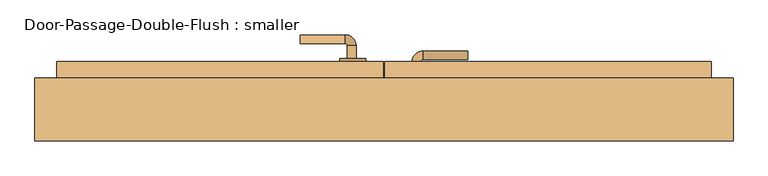
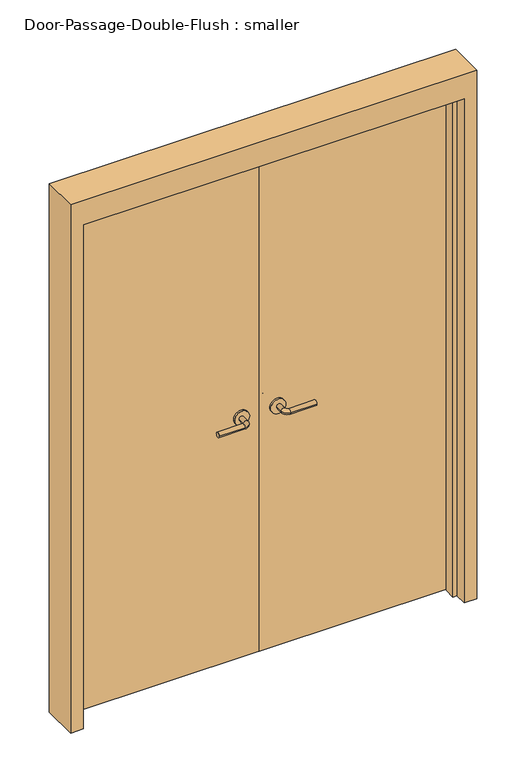
"""IFC4 building model written with IfcOpenShell, lengths in millimetres: door geometry, Door-Passage-Double-Flush : smaller."""

from ifc_helpers import new_model, si_unit, point, frame, frame_2d, origin, origin_with_axes, place, context, project, spatial, polyline, circle_curve, ellipse_curve, trimmed, segment, composite_curve, outline, extrude, faceted_brep, source, transform, mapped, element, save
from ifc_brep_helpers import plane_surface, cylinder_surface, revolved_surface, advanced_brep


def door_passage_double_flush_smaller_7772ebaa(model_context):
    return source(origin(), model_context, "Body", "SolidModel", [
        advanced_brep(
        [(-65.009375, -8.0, 1016.0), (-85.009375, -8.0, 1016.0), (-65.009375, -38.0, 1016.0), (-85.009375, -38.0, 1016.0), (-90.009375, -43.0, 1016.0), (-90.009375, -63.0, 1016.0), (-195.009375, -63.0, 1016.0), (-195.009375, -43.0, 1016.0)],
        [
            (0, 1, circle_curve(frame((-75.009375, -8.0, 1016.0), z_axis=(0.0, 1.0, 0.0), x_axis=(-1.0, 0.0, 0.0)), 10.0)),
            (1, 0, circle_curve(frame((-75.009375, -8.0, 1016.0), z_axis=(0.0, 1.0, 0.0), x_axis=(-1.0, 0.0, 0.0)), 10.0)),
            (0, 2),
            (2, 3, circle_curve(frame((-75.009375, -38.0, 1016.0), z_axis=(0.0, 1.0, 0.0), x_axis=(-1.0, 0.0, 0.0)), 10.0)),
            (3, 1),
            (3, 2, circle_curve(frame((-75.009375, -38.0, 1016.0), z_axis=(0.0, 1.0, 0.0), x_axis=(-1.0, 0.0, 0.0)), 10.0)),
            (4, 3, circle_curve(frame((-90.009375, -38.0, 1016.0), z_axis=(0.0, 0.0, 1.0), x_axis=(1.0, 0.0, 0.0)), 5.0)),
            (2, 5, circle_curve(frame((-90.009375, -38.0, 1016.0), z_axis=(0.0, 0.0, -1.0), x_axis=(1.0, 0.0, 0.0)), 25.0)),
            (5, 4, circle_curve(frame((-90.009375, -53.0, 1016.0), z_axis=(1.0, 0.0, 0.0), x_axis=(0.0, 1.0, 0.0)), 10.0)),
            (4, 5, circle_curve(frame((-90.009375, -53.0, 1016.0), z_axis=(1.0, 0.0, 0.0), x_axis=(0.0, 1.0, 0.0)), 10.0)),
            (6, 7, circle_curve(frame((-195.009375, -53.0, 1016.0), z_axis=(-1.0, 0.0, 0.0), x_axis=(0.0, 1.0, 0.0)), 10.0)),
            (7, 6, circle_curve(frame((-195.009375, -53.0, 1016.0), z_axis=(-1.0, 0.0, 0.0), x_axis=(0.0, 1.0, 0.0)), 10.0)),
            (5, 6),
            (7, 4),
        ],
        [
            plane_surface(frame((-75.009375, -8.0, 1016.0), z_axis=(0.0, 1.0, 0.0), x_axis=(0.0, 0.0, 1.0))),
            cylinder_surface(frame((-75.009375, -8.0, 1016.0), z_axis=(0.0, 1.0, 0.0), x_axis=(-1.0, 0.0, 0.0)), 10.0),
            revolved_surface(trimmed(ellipse_curve(frame((-75.009375, -38.0, 1016.0), z_axis=(0.0, 1.0, 0.0), x_axis=(-1.0, 0.0, 0.0)), 10.0, 10.0), [point((-65.009375, -38.0, 1016.0))], [point((-85.009375, -38.0, 1016.0))], True, "CARTESIAN"), (-90.009375, -38.0, 1016.0), (0.0, 0.0, -1.0)),
            revolved_surface(trimmed(ellipse_curve(frame((-75.009375, -38.0, 1016.0), z_axis=(0.0, 1.0, 0.0), x_axis=(-1.0, 0.0, 0.0)), 10.0, 10.0), [point((-85.009375, -38.0, 1016.0))], [point((-65.009375, -38.0, 1016.0))], True, "CARTESIAN"), (-90.009375, -38.0, 1016.0), (0.0, 0.0, -1.0)),
            plane_surface(frame((-195.009375, -53.0, 1016.0), z_axis=(-1.0, 0.0, 0.0), x_axis=(0.0, 0.0, 1.0))),
            cylinder_surface(frame((-90.009375, -53.0, 1016.0), z_axis=(1.0, 0.0, 0.0), x_axis=(0.0, 1.0, 0.0)), 10.0),
        ],
        [
            (0, [[1, 2]]),
            (1, [[-1, 3, 4, 5]]),
            (1, [[-2, -5, 6, -3]]),
            (2, [[7, -4, 8, 9]]),
            (3, [[-8, -6, -7, 10]]),
            (4, [[11, 12]]),
            (5, [[-9, 13, -12, 14]]),
            (5, [[-10, -14, -11, -13]]),
        ],
    ),
        extrude(outline(composite_curve([segment(trimmed(circle_curve(frame_2d((1016.0, -72.509375)), 30.0), [point((1016.0, -42.509375))], [point((1016.0, -102.509375))], False, "CARTESIAN"), True, "CONTINUOUS"), segment(trimmed(circle_curve(frame_2d((1016.0, -72.509375)), 30.0), [point((1016.0, -102.509375))], [point((1016.0, -42.509375))], False, "CARTESIAN"), True, "CONTINUOUS")], self_intersect=False)), frame((0.0, -8.0, 0.0), z_axis=(0.0, 1.0, 0.0), x_axis=(0.0, 0.0, 1.0)), (0.0, 0.0, 1.0), 8.0),
        advanced_brep(
        [(-65.009375, 90.55, 1016.0), (-85.009375, 90.55, 1016.0), (-85.009375, 120.55, 1016.0), (-65.009375, 120.55, 1016.0), (-90.009375, 125.55, 1016.0), (-90.009375, 145.55, 1016.0), (-195.009375, 145.55, 1016.0), (-195.009375, 125.55, 1016.0)],
        [
            (0, 1, circle_curve(frame((-75.009375, 90.55, 1016.0), z_axis=(0.0, -1.0, 0.0), x_axis=(-1.0, 0.0, 0.0)), 10.0)),
            (1, 0, circle_curve(frame((-75.009375, 90.55, 1016.0), z_axis=(0.0, -1.0, 0.0), x_axis=(-1.0, 0.0, 0.0)), 10.0)),
            (1, 2),
            (2, 3, circle_curve(frame((-75.009375, 120.55, 1016.0), z_axis=(0.0, -1.0, 0.0), x_axis=(-1.0, 0.0, 0.0)), 10.0)),
            (3, 0),
            (3, 2, circle_curve(frame((-75.009375, 120.55, 1016.0), z_axis=(0.0, -1.0, 0.0), x_axis=(-1.0, 0.0, 0.0)), 10.0)),
            (4, 5, circle_curve(frame((-90.009375, 135.55, 1016.0), z_axis=(1.0, 0.0, 0.0), x_axis=(0.0, -1.0, 0.0)), 10.0)),
            (5, 3, circle_curve(frame((-90.009375, 120.55, 1016.0), z_axis=(0.0, 0.0, -1.0), x_axis=(1.0, 0.0, 0.0)), 25.0)),
            (2, 4, circle_curve(frame((-90.009375, 120.55, 1016.0), z_axis=(0.0, 0.0, 1.0), x_axis=(1.0, 0.0, 0.0)), 5.0)),
            (5, 4, circle_curve(frame((-90.009375, 135.55, 1016.0), z_axis=(1.0, 0.0, 0.0), x_axis=(0.0, -1.0, 0.0)), 10.0)),
            (6, 7, circle_curve(frame((-195.009375, 135.55, 1016.0), z_axis=(-1.0, 0.0, 0.0), x_axis=(0.0, -1.0, 0.0)), 10.0)),
            (7, 6, circle_curve(frame((-195.009375, 135.55, 1016.0), z_axis=(-1.0, 0.0, 0.0), x_axis=(0.0, -1.0, 0.0)), 10.0)),
            (4, 7),
            (6, 5),
        ],
        [
            plane_surface(frame((-75.009375, 90.55, 1016.0), z_axis=(0.0, -1.0, 0.0), x_axis=(0.0, 0.0, 1.0))),
            cylinder_surface(frame((-75.009375, 90.55, 1016.0), z_axis=(0.0, -1.0, 0.0), x_axis=(-1.0, 0.0, 0.0)), 10.0),
            revolved_surface(trimmed(ellipse_curve(frame((-75.009375, 120.55, 1016.0), z_axis=(0.0, 1.0, 0.0), x_axis=(-1.0, 0.0, 0.0)), 10.0, 10.0), [point((-65.009375, 120.55, 1016.0))], [point((-85.009375, 120.55, 1016.0))], True, "CARTESIAN"), (-90.009375, 120.55, 1016.0), (0.0, 0.0, -1.0)),
            revolved_surface(trimmed(ellipse_curve(frame((-75.009375, 120.55, 1016.0), z_axis=(0.0, 1.0, 0.0), x_axis=(-1.0, 0.0, 0.0)), 10.0, 10.0), [point((-85.009375, 120.55, 1016.0))], [point((-65.009375, 120.55, 1016.0))], True, "CARTESIAN"), (-90.009375, 120.55, 1016.0), (0.0, 0.0, -1.0)),
            plane_surface(frame((-195.009375, 135.55, 1016.0), z_axis=(-1.0, 0.0, 0.0), x_axis=(0.0, 0.0, 1.0))),
            cylinder_surface(frame((-90.009375, 135.55, 1016.0), z_axis=(1.0, 0.0, 0.0), x_axis=(0.0, -1.0, 0.0)), 10.0),
        ],
        [
            (0, [[1, 2]]),
            (1, [[3, 4, 5, -2]]),
            (1, [[-5, 6, -3, -1]]),
            (2, [[7, 8, -4, 9]]),
            (3, [[10, -9, -6, -8]]),
            (4, [[11, 12]]),
            (5, [[13, -11, 14, -7]]),
            (5, [[-14, -12, -13, -10]]),
        ],
    ),
        extrude(outline(composite_curve([segment(trimmed(circle_curve(frame_2d((1016.0, -72.509375)), 30.0), [point((1016.0, -42.509375))], [point((1016.0, -102.509375))], False, "CARTESIAN"), True, "CONTINUOUS"), segment(trimmed(circle_curve(frame_2d((1016.0, -72.509375)), 30.0), [point((1016.0, -102.509375))], [point((1016.0, -42.509375))], False, "CARTESIAN"), True, "CONTINUOUS")], self_intersect=False)), frame((0.0, 82.55, 0.0), z_axis=(0.0, 1.0, 0.0), x_axis=(0.0, 0.0, 1.0)), (0.0, 0.0, 1.0), 8.0),
        advanced_brep(
        [(65.009375, -8.0, 1016.0), (85.009375, -8.0, 1016.0), (85.009375, -38.0, 1016.0), (65.009375, -38.0, 1016.0), (90.009375, -43.0, 1016.0), (90.009375, -63.0, 1016.0), (195.009375, -63.0, 1016.0), (195.009375, -43.0, 1016.0)],
        [
            (0, 1, circle_curve(frame((75.009375, -8.0, 1016.0), z_axis=(0.0, 1.0, 0.0), x_axis=(1.0, 0.0, 0.0)), 10.0)),
            (1, 0, circle_curve(frame((75.009375, -8.0, 1016.0), z_axis=(0.0, 1.0, 0.0), x_axis=(1.0, 0.0, 0.0)), 10.0)),
            (1, 2),
            (2, 3, circle_curve(frame((75.009375, -38.0, 1016.0), z_axis=(0.0, 1.0, 0.0), x_axis=(1.0, 0.0, 0.0)), 10.0)),
            (3, 0),
            (3, 2, circle_curve(frame((75.009375, -38.0, 1016.0), z_axis=(0.0, 1.0, 0.0), x_axis=(1.0, 0.0, 0.0)), 10.0)),
            (4, 5, circle_curve(frame((90.009375, -53.0, 1016.0), z_axis=(-1.0, 0.0, 0.0), x_axis=(0.0, 1.0, 0.0)), 10.0)),
            (5, 3, circle_curve(frame((90.009375, -38.0, 1016.0), z_axis=(0.0, 0.0, -1.0), x_axis=(-1.0, 0.0, 0.0)), 25.0)),
            (2, 4, circle_curve(frame((90.009375, -38.0, 1016.0), z_axis=(0.0, 0.0, 1.0), x_axis=(-1.0, 0.0, 0.0)), 5.0)),
            (5, 4, circle_curve(frame((90.009375, -53.0, 1016.0), z_axis=(-1.0, 0.0, 0.0), x_axis=(0.0, 1.0, 0.0)), 10.0)),
            (6, 7, circle_curve(frame((195.009375, -53.0, 1016.0), z_axis=(1.0, 0.0, 0.0), x_axis=(0.0, 1.0, 0.0)), 10.0)),
            (7, 6, circle_curve(frame((195.009375, -53.0, 1016.0), z_axis=(1.0, 0.0, 0.0), x_axis=(0.0, 1.0, 0.0)), 10.0)),
            (4, 7),
            (6, 5),
        ],
        [
            plane_surface(frame((75.009375, -8.0, 1016.0), z_axis=(0.0, 1.0, 0.0), x_axis=(0.0, 0.0, 1.0))),
            cylinder_surface(frame((75.009375, -8.0, 1016.0), z_axis=(0.0, 1.0, 0.0), x_axis=(1.0, 0.0, 0.0)), 10.0),
            revolved_surface(trimmed(ellipse_curve(frame((75.009375, -38.0, 1016.0), z_axis=(0.0, -1.0, 0.0), x_axis=(1.0, 0.0, 0.0)), 10.0, 10.0), [point((65.009375, -38.0, 1016.0))], [point((85.009375, -38.0, 1016.0))], True, "CARTESIAN"), (90.009375, -38.0, 1016.0), (0.0, 0.0, -1.0)),
            revolved_surface(trimmed(ellipse_curve(frame((75.009375, -38.0, 1016.0), z_axis=(0.0, -1.0, 0.0), x_axis=(1.0, 0.0, 0.0)), 10.0, 10.0), [point((85.009375, -38.0, 1016.0))], [point((65.009375, -38.0, 1016.0))], True, "CARTESIAN"), (90.009375, -38.0, 1016.0), (0.0, 0.0, -1.0)),
            plane_surface(frame((195.009375, -53.0, 1016.0), z_axis=(1.0, 0.0, 0.0), x_axis=(0.0, 0.0, 1.0))),
            cylinder_surface(frame((90.009375, -53.0, 1016.0), z_axis=(-1.0, 0.0, 0.0), x_axis=(0.0, 1.0, 0.0)), 10.0),
        ],
        [
            (0, [[1, 2]]),
            (1, [[3, 4, 5, -2]]),
            (1, [[-5, 6, -3, -1]]),
            (2, [[7, 8, -4, 9]]),
            (3, [[10, -9, -6, -8]]),
            (4, [[11, 12]]),
            (5, [[13, -11, 14, -7]]),
            (5, [[-14, -12, -13, -10]]),
        ],
    ),
        extrude(outline(composite_curve([segment(trimmed(circle_curve(frame_2d((1016.0, 72.509375)), 30.0), [point((1016.0, 42.509375))], [point((1016.0, 102.509375))], False, "CARTESIAN"), True, "CONTINUOUS"), segment(trimmed(circle_curve(frame_2d((1016.0, 72.509375)), 30.0), [point((1016.0, 102.509375))], [point((1016.0, 42.509375))], False, "CARTESIAN"), True, "CONTINUOUS")], self_intersect=False)), frame((0.0, -8.0, 0.0), z_axis=(0.0, 1.0, 0.0), x_axis=(0.0, 0.0, 1.0)), (0.0, 0.0, 1.0), 8.0),
        advanced_brep(
        [(65.009375, 52.45, 1016.0), (85.009375, 52.45, 1016.0), (65.009375, 82.45, 1016.0), (85.009375, 82.45, 1016.0), (90.009375, 87.45, 1016.0), (90.009375, 107.45, 1016.0), (195.009375, 107.45, 1016.0), (195.009375, 87.45, 1016.0)],
        [
            (0, 1, circle_curve(frame((75.009375, 52.45, 1016.0), z_axis=(0.0, -1.0, 0.0), x_axis=(1.0, 0.0, 0.0)), 10.0)),
            (1, 0, circle_curve(frame((75.009375, 52.45, 1016.0), z_axis=(0.0, -1.0, 0.0), x_axis=(1.0, 0.0, 0.0)), 10.0)),
            (0, 2),
            (2, 3, circle_curve(frame((75.009375, 82.45, 1016.0), z_axis=(0.0, -1.0, 0.0), x_axis=(1.0, 0.0, 0.0)), 10.0)),
            (3, 1),
            (3, 2, circle_curve(frame((75.009375, 82.45, 1016.0), z_axis=(0.0, -1.0, 0.0), x_axis=(1.0, 0.0, 0.0)), 10.0)),
            (4, 3, circle_curve(frame((90.009375, 82.45, 1016.0), z_axis=(0.0, 0.0, 1.0), x_axis=(-1.0, 0.0, 0.0)), 5.0)),
            (2, 5, circle_curve(frame((90.009375, 82.45, 1016.0), z_axis=(0.0, 0.0, -1.0), x_axis=(-1.0, 0.0, 0.0)), 25.0)),
            (5, 4, circle_curve(frame((90.009375, 97.45, 1016.0), z_axis=(-1.0, 0.0, 0.0), x_axis=(0.0, -1.0, 0.0)), 10.0)),
            (4, 5, circle_curve(frame((90.009375, 97.45, 1016.0), z_axis=(-1.0, 0.0, 0.0), x_axis=(0.0, -1.0, 0.0)), 10.0)),
            (6, 7, circle_curve(frame((195.009375, 97.45, 1016.0), z_axis=(1.0, 0.0, 0.0), x_axis=(0.0, -1.0, 0.0)), 10.0)),
            (7, 6, circle_curve(frame((195.009375, 97.45, 1016.0), z_axis=(1.0, 0.0, 0.0), x_axis=(0.0, -1.0, 0.0)), 10.0)),
            (5, 6),
            (7, 4),
        ],
        [
            plane_surface(frame((75.009375, 52.45, 1016.0), z_axis=(0.0, -1.0, 0.0), x_axis=(0.0, 0.0, 1.0))),
            cylinder_surface(frame((75.009375, 52.45, 1016.0), z_axis=(0.0, -1.0, 0.0), x_axis=(1.0, 0.0, 0.0)), 10.0),
            revolved_surface(trimmed(ellipse_curve(frame((75.009375, 82.45, 1016.0), z_axis=(0.0, -1.0, 0.0), x_axis=(1.0, 0.0, 0.0)), 10.0, 10.0), [point((65.009375, 82.45, 1016.0))], [point((85.009375, 82.45, 1016.0))], True, "CARTESIAN"), (90.009375, 82.45, 1016.0), (0.0, 0.0, -1.0)),
            revolved_surface(trimmed(ellipse_curve(frame((75.009375, 82.45, 1016.0), z_axis=(0.0, -1.0, 0.0), x_axis=(1.0, 0.0, 0.0)), 10.0, 10.0), [point((85.009375, 82.45, 1016.0))], [point((65.009375, 82.45, 1016.0))], True, "CARTESIAN"), (90.009375, 82.45, 1016.0), (0.0, 0.0, -1.0)),
            plane_surface(frame((195.009375, 97.45, 1016.0), z_axis=(1.0, 0.0, 0.0), x_axis=(0.0, 0.0, 1.0))),
            cylinder_surface(frame((90.009375, 97.45, 1016.0), z_axis=(-1.0, 0.0, 0.0), x_axis=(0.0, -1.0, 0.0)), 10.0),
        ],
        [
            (0, [[1, 2]]),
            (1, [[-1, 3, 4, 5]]),
            (1, [[-2, -5, 6, -3]]),
            (2, [[7, -4, 8, 9]]),
            (3, [[-8, -6, -7, 10]]),
            (4, [[11, 12]]),
            (5, [[-9, 13, -12, 14]]),
            (5, [[-10, -14, -11, -13]]),
        ],
    ),
        extrude(outline(composite_curve([segment(trimmed(circle_curve(frame_2d((1016.0, 72.509375)), 30.0), [point((1016.0, 42.509375))], [point((1016.0, 102.509375))], False, "CARTESIAN"), True, "CONTINUOUS"), segment(trimmed(circle_curve(frame_2d((1016.0, 72.509375)), 30.0), [point((1016.0, 102.509375))], [point((1016.0, 42.509375))], False, "CARTESIAN"), True, "CONTINUOUS")], self_intersect=False)), frame((0.0, 44.45, 0.0), z_axis=(0.0, 1.0, 0.0), x_axis=(0.0, 0.0, 1.0)), (0.0, 0.0, 1.0), 8.0),
        faceted_brep([(762.0, -4.7625, 0.0), (762.0, 44.45, 0.0), (812.8, 44.45, 0.0), (812.8, -101.6, 0.0), (762.0, -101.6, 0.0), (762.0, -52.3875, 0.0), (746.125, -52.3875, 0.0), (746.125, -4.7625, 0.0), (762.0, -4.7625, 2133.6), (762.0, 44.45, 2133.6), (-762.0, 44.45, 2133.6), (-762.0, 44.45, 0.0), (-812.8, 44.45, 0.0), (-812.8, 44.45, 2235.2), (812.8, 44.45, 2235.2), (812.8, -101.6, 2235.2), (-812.8, -101.6, 2235.2), (-812.8, -101.6, 0.0), (-762.0, -101.6, 0.0), (-762.0, -101.6, 2133.6), (762.0, -101.6, 2133.6), (762.0, -52.3875, 2133.6), (-762.0, -52.3875, 2133.6), (-762.0, -52.3875, 0.0), (-746.125, -52.3875, 0.0), (-746.125, -52.3875, 2117.725), (746.125, -52.3875, 2117.725), (746.125, -4.7625, 2117.725), (-746.125, -4.7625, 2117.725), (-746.125, -4.7625, 0.0), (-762.0, -4.7625, 0.0), (-762.0, -4.7625, 2133.6)], [[[0, 1, 2, 3, 4, 5, 6, 7]], [[1, 0, 8, 9]], [[2, 1, 9, 10, 11, 12, 13, 14]], [[3, 2, 14, 15]], [[4, 3, 15, 16, 17, 18, 19, 20]], [[5, 4, 20, 21]], [[6, 5, 21, 22, 23, 24, 25, 26]], [[7, 6, 26, 27]], [[0, 7, 27, 28, 29, 30, 31, 8]], [[9, 8, 31, 10]], [[20, 19, 22, 21]], [[26, 25, 28, 27]], [[12, 11, 30, 29, 24, 23, 18, 17]], [[11, 10, 31, 30]], [[13, 12, 17, 16]], [[19, 18, 23, 22]], [[25, 24, 29, 28]], [[15, 14, 13, 16]]]),
        extrude(outline(polyline([(762.0, 0.0), (1.5875, 0.0), (1.5875, 82.55), (762.0, 82.55), (762.0, 0.0)])), origin_with_axes(), (0.0, 0.0, 1.0), 2133.6),
        extrude(outline(polyline([(-1.5875, 0.0), (-762.0, 0.0), (-762.0, 82.55), (-1.5875, 82.55), (-1.5875, 0.0)])), origin_with_axes(), (0.0, 0.0, 1.0), 2133.6),
    ])


if __name__ == "__main__":
    model = new_model("IFC4")
    model_context = context("Model", 3, world=origin())
    ifc_project = project(units=[si_unit("LENGTHUNIT", "METRE", prefix="MILLI")], contexts=[model_context])
    site = spatial("IfcSite", under=ifc_project)
    building = spatial("IfcBuilding", under=site)
    placement = place(None, origin())
    door_passage_double_flush_smaller_shape = door_passage_double_flush_smaller_7772ebaa(model_context)
    element("IfcDoor", 1, ObjectType="Door-Passage-Double-Flush : smaller", at=placement, inside=building, context=model_context, shape_type="MappedRepresentation", body=[
        mapped(door_passage_double_flush_smaller_shape, transform((0.0, 0.0, 0.0), x_axis=(1.0, 0.0, 0.0), y_axis=(0.0, 1.0, 0.0), z_axis=(0.0, 0.0, 1.0))),
    ])
    save(model, "model.ifc")
